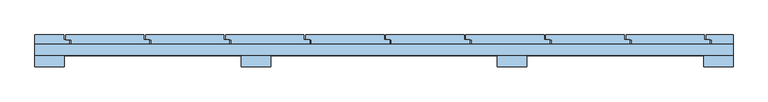
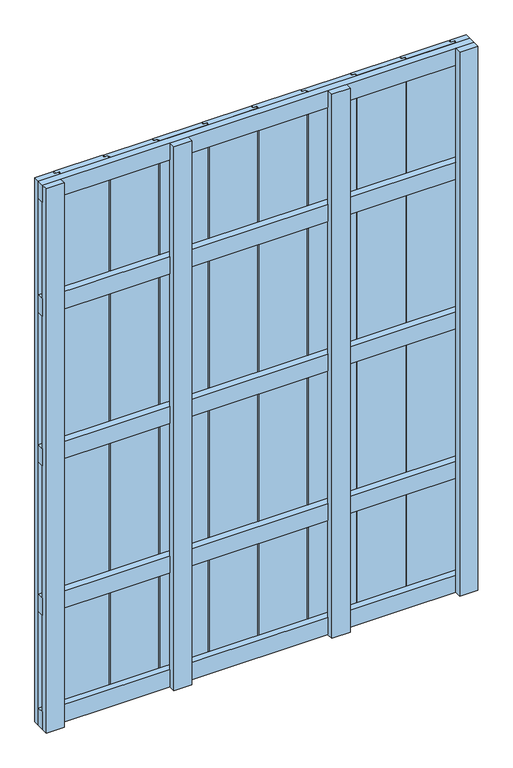
"""IFC4 building model written with IfcOpenShell, lengths in millimetres: window geometry."""

from ifc_helpers import new_model, si_unit, frame, origin, place, context, project, spatial, polyline, outline, extrude, source, transform, mapped, element, save


def window_1cb8e9e2(model_context):
    return source(origin(), model_context, "Body", "SweptSolid", [
        extrude(outline(polyline([(750.0, 148.0), (750.0, 124.0), (-750.0, 124.0), (-750.0, 148.0), (750.0, 148.0)])), frame((0.0, 0.0, 1618.5), z_axis=(0.0, 0.0, 1.0), x_axis=(1.0, 0.0, 0.0)), (0.0, 0.0, 1.0), 63.0),
        extrude(outline(polyline([(750.0, 148.0), (750.0, 124.0), (-750.0, 124.0), (-750.0, 148.0), (750.0, 148.0)])), frame((0.0, 0.0, 1068.5), z_axis=(0.0, 0.0, 1.0), x_axis=(1.0, 0.0, 0.0)), (0.0, 0.0, 1.0), 63.0),
        extrude(outline(polyline([(750.0, 148.0), (750.0, 124.0), (-750.0, 124.0), (-750.0, 148.0), (750.0, 148.0)])), frame((0.0, 0.0, 518.5), z_axis=(0.0, 0.0, 1.0), x_axis=(1.0, 0.0, 0.0)), (0.0, 0.0, 1.0), 63.0),
        extrude(outline(polyline([(750.0, 148.0), (750.0, 124.0), (-750.0, 124.0), (-750.0, 148.0), (750.0, 148.0)])), frame((0.0, 0.0, 2037.0), z_axis=(0.0, 0.0, 1.0), x_axis=(1.0, 0.0, 0.0)), (0.0, 0.0, 1.0), 63.0),
        extrude(outline(polyline([(750.0, 148.0), (750.0, 124.0), (-750.0, 124.0), (-750.0, 148.0), (750.0, 148.0)])), frame((0.0, 0.0, 100.0), z_axis=(0.0, 0.0, 1.0), x_axis=(1.0, 0.0, 0.0)), (0.0, 0.0, 1.0), 63.0),
        extrude(outline(polyline([(-684.0, 168.0), (-516.0, 168.0), (-516.0, 158.0), (-504.0, 158.0), (-504.0, 148.0), (-672.0, 148.0), (-672.0, 158.0), (-684.0, 158.0), (-684.0, 168.0)])), frame((0.0, 0.0, 100.0), z_axis=(0.0, 0.0, 1.0), x_axis=(1.0, 0.0, 0.0)), (0.0, 0.0, 1.0), 2000.0),
        extrude(outline(polyline([(-512.0, 168.0), (-344.0, 168.0), (-344.0, 158.0), (-332.0, 158.0), (-332.0, 148.0), (-500.0, 148.0), (-500.0, 158.0), (-512.0, 158.0), (-512.0, 168.0)])), frame((0.0, 0.0, 100.0), z_axis=(0.0, 0.0, 1.0), x_axis=(1.0, 0.0, 0.0)), (0.0, 0.0, 1.0), 2000.0),
        extrude(outline(polyline([(-340.0, 168.0), (-172.0, 168.0), (-172.0, 158.0), (-160.0, 158.0), (-160.0, 148.0), (-328.0, 148.0), (-328.0, 158.0), (-340.0, 158.0), (-340.0, 168.0)])), frame((0.0, 0.0, 100.0), z_axis=(0.0, 0.0, 1.0), x_axis=(1.0, 0.0, 0.0)), (0.0, 0.0, 1.0), 2000.0),
        extrude(outline(polyline([(-168.0, 168.0), (0.0, 168.0), (0.0, 158.0), (12.0, 158.0), (12.0, 148.0), (-156.0, 148.0), (-156.0, 158.0), (-168.0, 158.0), (-168.0, 168.0)])), frame((0.0, 0.0, 100.0), z_axis=(0.0, 0.0, 1.0), x_axis=(1.0, 0.0, 0.0)), (0.0, 0.0, 1.0), 2000.0),
        extrude(outline(polyline([(4.0, 168.0), (172.0, 168.0), (172.0, 158.0), (184.0, 158.0), (184.0, 148.0), (16.0, 148.0), (16.0, 158.0), (4.0, 158.0), (4.0, 168.0)])), frame((0.0, 0.0, 100.0), z_axis=(0.0, 0.0, 1.0), x_axis=(1.0, 0.0, 0.0)), (0.0, 0.0, 1.0), 2000.0),
        extrude(outline(polyline([(176.0, 168.0), (344.0, 168.0), (344.0, 158.0), (356.0, 158.0), (356.0, 148.0), (188.0, 148.0), (188.0, 158.0), (176.0, 158.0), (176.0, 168.0)])), frame((0.0, 0.0, 100.0), z_axis=(0.0, 0.0, 1.0), x_axis=(1.0, 0.0, 0.0)), (0.0, 0.0, 1.0), 2000.0),
        extrude(outline(polyline([(348.0, 168.0), (516.0, 168.0), (516.0, 158.0), (528.0, 158.0), (528.0, 148.0), (360.0, 148.0), (360.0, 158.0), (348.0, 158.0), (348.0, 168.0)])), frame((0.0, 0.0, 100.0), z_axis=(0.0, 0.0, 1.0), x_axis=(1.0, 0.0, 0.0)), (0.0, 0.0, 1.0), 2000.0),
        extrude(outline(polyline([(520.0, 168.0), (688.0, 168.0), (688.0, 158.0), (700.0, 158.0), (700.0, 148.0), (532.0, 148.0), (532.0, 158.0), (520.0, 158.0), (520.0, 168.0)])), frame((0.0, 0.0, 100.0), z_axis=(0.0, 0.0, 1.0), x_axis=(1.0, 0.0, 0.0)), (0.0, 0.0, 1.0), 2000.0),
        extrude(outline(polyline([(-750.0, 168.0), (-688.0, 168.0), (-688.0, 158.0), (-676.0, 158.0), (-676.0, 148.0), (-750.0, 148.0), (-750.0, 168.0)])), frame((0.0, 0.0, 100.0), z_axis=(0.0, 0.0, 1.0), x_axis=(1.0, 0.0, 0.0)), (0.0, 0.0, 1.0), 2000.0),
        extrude(outline(polyline([(692.0, 168.0), (750.0, 168.0), (750.0, 148.0), (704.0, 148.0), (704.0, 158.0), (692.0, 158.0), (692.0, 168.0)])), frame((0.0, 0.0, 100.0), z_axis=(0.0, 0.0, 1.0), x_axis=(1.0, 0.0, 0.0)), (0.0, 0.0, 1.0), 2000.0),
        extrude(outline(polyline([(-306.5, 124.0), (-243.5, 124.0), (-243.5, 100.0), (-306.5, 100.0), (-306.5, 124.0)])), frame((0.0, 0.0, 100.0), z_axis=(0.0, 0.0, 1.0), x_axis=(1.0, 0.0, 0.0)), (0.0, 0.0, 1.0), 2000.0),
        extrude(outline(polyline([(243.5, 124.0), (306.5, 124.0), (306.5, 100.0), (243.5, 100.0), (243.5, 124.0)])), frame((0.0, 0.0, 100.0), z_axis=(0.0, 0.0, 1.0), x_axis=(1.0, 0.0, 0.0)), (0.0, 0.0, 1.0), 2000.0),
        extrude(outline(polyline([(-750.0, 124.0), (-687.0, 124.0), (-687.0, 100.0), (-750.0, 100.0), (-750.0, 124.0)])), frame((0.0, 0.0, 100.0), z_axis=(0.0, 0.0, 1.0), x_axis=(1.0, 0.0, 0.0)), (0.0, 0.0, 1.0), 2000.0),
        extrude(outline(polyline([(687.0, 124.0), (750.0, 124.0), (750.0, 100.0), (687.0, 100.0), (687.0, 124.0)])), frame((0.0, 0.0, 100.0), z_axis=(0.0, 0.0, 1.0), x_axis=(1.0, 0.0, 0.0)), (0.0, 0.0, 1.0), 2000.0),
    ])


if __name__ == "__main__":
    model = new_model("IFC4")
    model_context = context("Model", 3, world=origin())
    ifc_project = project(units=[si_unit("LENGTHUNIT", "METRE", prefix="MILLI")], contexts=[model_context])
    site = spatial("IfcSite", under=ifc_project)
    building = spatial("IfcBuilding", under=site)
    placement = place(None, origin())
    window_shape = window_1cb8e9e2(model_context)
    element("IfcWindow", 1, at=placement, inside=building, context=model_context, shape_type="MappedRepresentation", body=[
        mapped(window_shape, transform((0.0, 0.0, 0.0), x_axis=(1.0, 0.0, 0.0), y_axis=(0.0, 1.0, 0.0), z_axis=(0.0, 0.0, 1.0))),
    ])
    save(model, "model.ifc")
